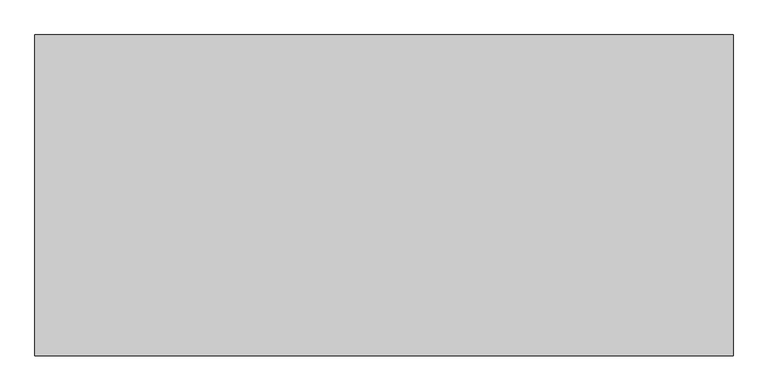
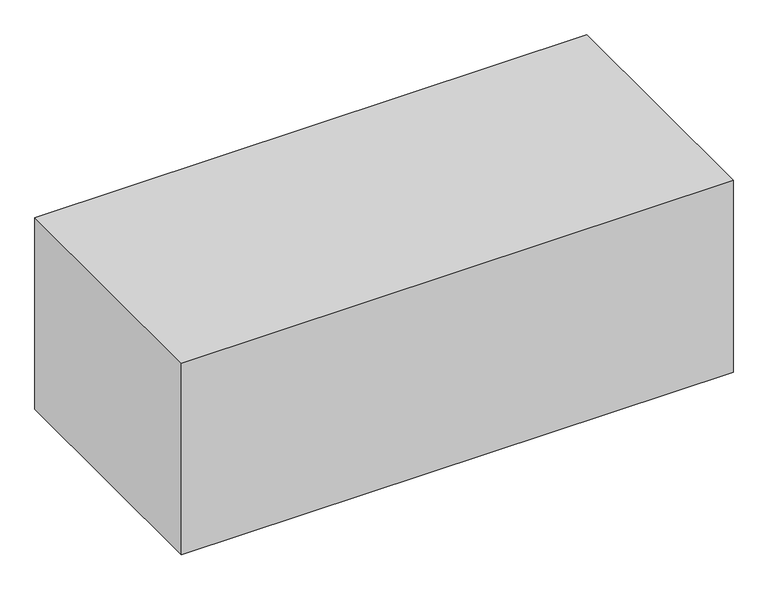
"""IFC4 building model written with IfcOpenShell, lengths in millimetres: geographic element geometry."""

from ifc_helpers import new_model, si_unit, origin, origin_with_axes, place, context, project, spatial, polyline, outline, extrude, source, transform, mapped, element, save


def geographic_element_46d341d1(model_context):
    return source(origin(), model_context, "Body", "SweptSolid", [
        extrude(outline(polyline([(0.0, 0.0), (0.0, 500.0), (1088.2224992, 500.0), (1088.2224992, 0.0), (0.0, 0.0)])), origin_with_axes(), (0.0, 0.0, 1.0), 400.0),
    ])


if __name__ == "__main__":
    model = new_model("IFC4")
    model_context = context("Model", 3, world=origin())
    ifc_project = project(units=[si_unit("LENGTHUNIT", "METRE", prefix="MILLI")], contexts=[model_context])
    site = spatial("IfcSite", under=ifc_project)
    building = spatial("IfcBuilding", under=site)
    placement = place(None, origin())
    geographic_element_shape = geographic_element_46d341d1(model_context)
    element("IfcGeographicElement", 1, at=placement, inside=building, context=model_context, shape_type="MappedRepresentation", body=[
        mapped(geographic_element_shape, transform((0.0, 0.0, 0.0), x_axis=(1.0, 0.0, 0.0), y_axis=(0.0, 1.0, 0.0), z_axis=(0.0, 0.0, 1.0))),
    ])
    save(model, "model.ifc")
